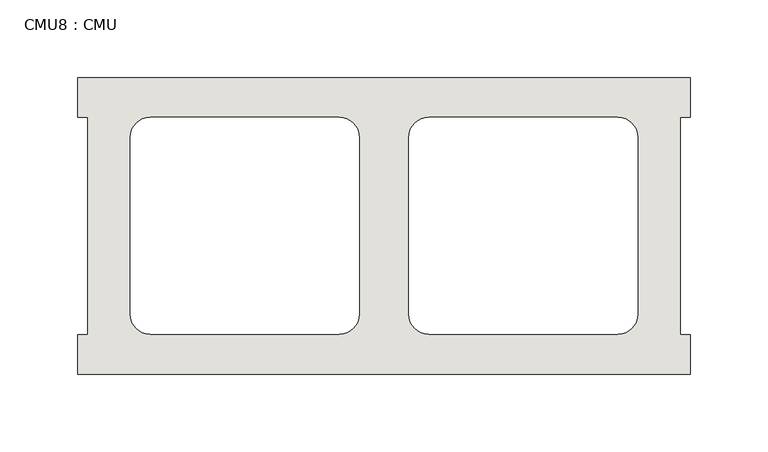
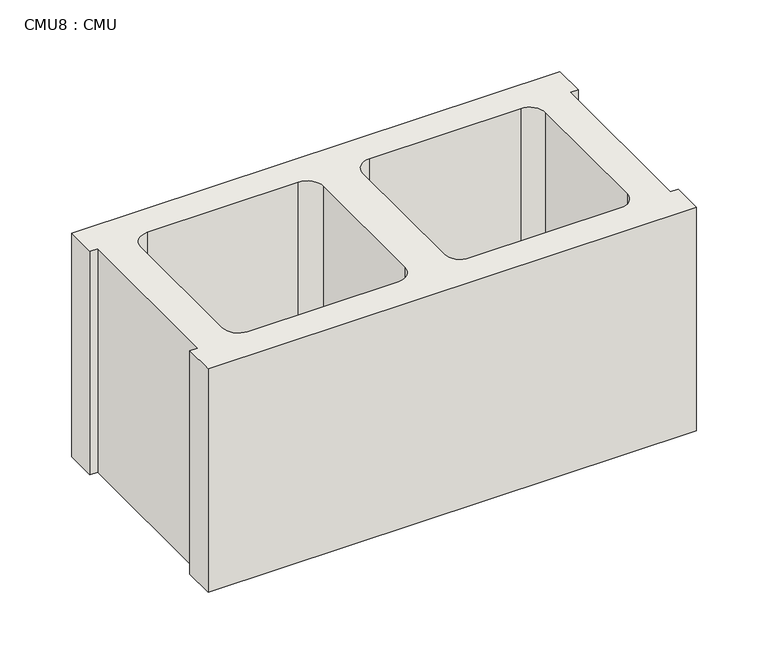
"""IFC4 building model written with IfcOpenShell, lengths in millimetres: wall geometry, CMU8 : CMU."""

from ifc_helpers import new_model, si_unit, point, frame, frame_2d, origin, place, context, project, spatial, polyline, circle_curve, trimmed, segment, composite_curve, outline, extrude, source, transform, mapped, element, save


def cmu8_cmu_84cd0699(model_context):
    return source(origin(), model_context, "Body", "SweptSolid", [
        extrude(outline(polyline([(-803.7785982, 3347.4652891), (-410.0785982, 3347.4652891), (-410.0785982, 3322.0652891), (-416.4285982, 3322.0652891), (-416.4285982, 3182.3652891), (-410.0785982, 3182.3652891), (-410.0785982, 3156.9652891), (-803.7785982, 3156.9652891), (-803.7785982, 3182.3652891), (-797.4285982, 3182.3652891), (-797.4285982, 3322.0652891), (-803.7785982, 3322.0652891), (-803.7785982, 3347.4652891)]), holes=[composite_curve([segment(polyline([(-635.6105995, 3322.0652891), (-757.3272496, 3322.0652891)]), True, "CONTINUOUS"), segment(trimmed(circle_curve(frame_2d((-757.3272496, 3309.3652891)), 12.7), [point((-757.3272496, 3322.0652891))], [point((-770.0272496, 3309.3652891))], True, "CARTESIAN"), True, "CONTINUOUS"), segment(polyline([(-770.0272496, 3309.3652891), (-770.0272496, 3195.2994494)]), True, "CONTINUOUS"), segment(trimmed(circle_curve(frame_2d((-757.3272496, 3195.2994494)), 12.7), [point((-770.0272496, 3195.2994494))], [point((-757.3272496, 3182.5994494))], True, "CARTESIAN"), True, "CONTINUOUS"), segment(polyline([(-757.3272496, 3182.5994494), (-635.6105995, 3182.5994494)]), True, "CONTINUOUS"), segment(trimmed(circle_curve(frame_2d((-635.6105995, 3195.2994494)), 12.7), [point((-635.6105995, 3182.5994494))], [point((-622.9105995, 3195.2994494))], True, "CARTESIAN"), True, "CONTINUOUS"), segment(polyline([(-622.9105995, 3195.2994494), (-622.9105995, 3309.3652891)]), True, "CONTINUOUS"), segment(trimmed(circle_curve(frame_2d((-635.6105995, 3309.3652891)), 12.7), [point((-622.9105995, 3309.3652891))], [point((-635.6105995, 3322.0652891))], True, "CARTESIAN"), True, "CONTINUOUS")], self_intersect=False), composite_curve([segment(trimmed(circle_curve(frame_2d((-578.2465969, 3309.3652891)), 12.7), [point((-578.2465969, 3322.0652891))], [point((-590.9465969, 3309.3652891))], True, "CARTESIAN"), True, "CONTINUOUS"), segment(polyline([(-590.9465969, 3309.3652891), (-590.9465969, 3195.2994494)]), True, "CONTINUOUS"), segment(trimmed(circle_curve(frame_2d((-578.2465969, 3195.2994494)), 12.7), [point((-590.9465969, 3195.2994494))], [point((-578.2465969, 3182.5994494))], True, "CARTESIAN"), True, "CONTINUOUS"), segment(polyline([(-578.2465969, 3182.5994494), (-456.5299468, 3182.5994494)]), True, "CONTINUOUS"), segment(trimmed(circle_curve(frame_2d((-456.5299468, 3195.2994494)), 12.7), [point((-456.5299468, 3182.5994494))], [point((-443.8299468, 3195.2994494))], True, "CARTESIAN"), True, "CONTINUOUS"), segment(polyline([(-443.8299468, 3195.2994494), (-443.8299468, 3309.3652891)]), True, "CONTINUOUS"), segment(trimmed(circle_curve(frame_2d((-456.5299468, 3309.3652891)), 12.7), [point((-443.8299468, 3309.3652891))], [point((-456.5299468, 3322.0652891))], True, "CARTESIAN"), True, "CONTINUOUS"), segment(polyline([(-456.5299468, 3322.0652891), (-578.2465969, 3322.0652891)]), True, "CONTINUOUS")], self_intersect=False)]), frame((0.0, 0.0, 406.4), z_axis=(0.0, 0.0, 1.0), x_axis=(1.0, 0.0, 0.0)), (0.0, 0.0, 1.0), 190.5),
    ])


if __name__ == "__main__":
    model = new_model("IFC4")
    model_context = context("Model", 3, world=origin())
    ifc_project = project(units=[si_unit("LENGTHUNIT", "METRE", prefix="MILLI")], contexts=[model_context])
    site = spatial("IfcSite", under=ifc_project)
    building = spatial("IfcBuilding", under=site)
    placement = place(None, origin())
    cmu8_cmu_shape = cmu8_cmu_84cd0699(model_context)
    element("IfcWall", 1, ObjectType="CMU8 : CMU", at=placement, inside=building, context=model_context, shape_type="MappedRepresentation", body=[
        mapped(cmu8_cmu_shape, transform((0.0, 0.0, 0.0), x_axis=(1.0, 0.0, 0.0), y_axis=(0.0, 1.0, 0.0), z_axis=(0.0, 0.0, 1.0))),
    ])
    save(model, "model.ifc")
